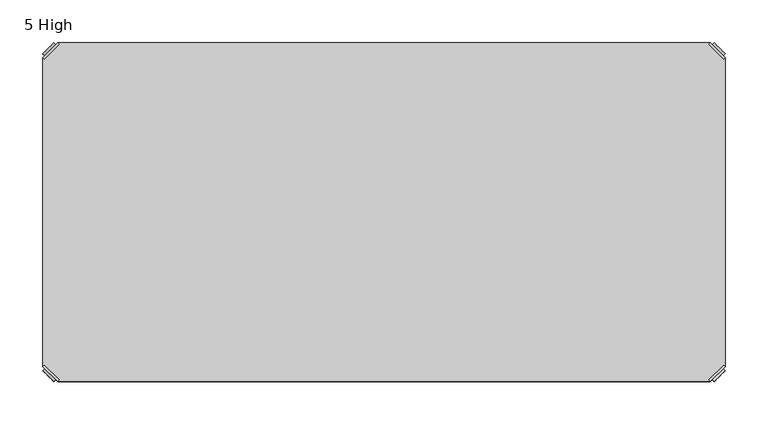
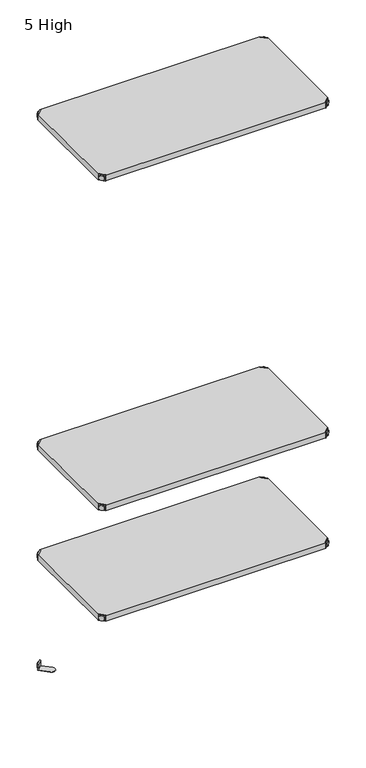
"""IFC4 building model written with IfcOpenShell, lengths in millimetres: furniture geometry, 5 High."""

from ifc_helpers import new_model, si_unit, frame, origin, place, context, project, spatial, polyline, circle_curve, outline, extrude, source, transform, mapped, element, save
from ifc_brep_helpers import plane_surface, cylinder_surface, advanced_brep


def furniture_5_high_52699a59(model_context):
    return source(origin(), model_context, "Body", "SolidModel", [
        advanced_brep(
        [(2.54, 380.2870969, 923.29), (4.3360512, 378.4910456, 923.29), (21.5589544, 395.7139488, 923.29), (19.7629031, 397.51, 923.29), (19.7629031, 397.51, 901.954), (2.54, 380.2870969, 901.954), (4.8652723, 382.6123691, 913.13), (17.4376309, 395.1847277, 913.13), (30.2920522, 352.5350447, 902.97), (47.5149553, 369.7579478, 902.97), (21.5589544, 395.7139488, 902.97), (4.3360512, 378.4910456, 902.97), (30.2920522, 352.5350447, 901.954), (47.5149553, 369.7579478, 901.954), (15.1227513, 397.4996073, 913.13), (2.5503927, 384.9272487, 913.13)],
        [
            (0, 1),
            (1, 2),
            (2, 3),
            (3, 0),
            (3, 4),
            (4, 5),
            (5, 0),
            (6, 7, circle_curve(frame((11.1514516, 388.8985484, 913.13), z_axis=(0.7071067811865446, -0.7071067811865505, 0.0), x_axis=(-0.7071067811865505, -0.7071067811865446, 0.0)), 8.89)),
            (7, 6, circle_curve(frame((11.1514516, 388.8985484, 913.13), z_axis=(0.7071067811865446, -0.7071067811865505, 0.0), x_axis=(-0.7071067811865505, -0.7071067811865446, 0.0)), 8.89)),
            (8, 9, circle_curve(frame((38.9035037, 361.1464963, 902.97), z_axis=(0.0, 0.0, 1.0), x_axis=(1.0, 0.0, 0.0)), 12.1784316)),
            (9, 10),
            (10, 11),
            (11, 8),
            (12, 5),
            (4, 13),
            (13, 12, circle_curve(frame((38.9035037, 361.1464963, 901.954), z_axis=(0.0, 0.0, -1.0), x_axis=(1.0, 0.0, 0.0)), 12.1784316)),
            (14, 15, circle_curve(frame((8.836572, 391.213428, 913.13), z_axis=(-0.7071067811865446, 0.7071067811865505, 0.0), x_axis=(-0.7071067811865505, -0.7071067811865446, 0.0)), 8.89)),
            (15, 14, circle_curve(frame((8.836572, 391.213428, 913.13), z_axis=(-0.7071067811865446, 0.7071067811865505, 0.0), x_axis=(-0.7071067811865505, -0.7071067811865446, 0.0)), 8.89)),
            (14, 7),
            (6, 15),
            (1, 11),
            (10, 2),
            (8, 12),
            (13, 9),
        ],
        [
            plane_surface(frame((-19.6579872, 402.485084, 923.29), z_axis=(0.0, 0.0, 1.0000000000000002), x_axis=(0.7071067811865436, -0.7071067811865516, 0.0))),
            plane_surface(frame((19.7629031, 397.51, 923.29), z_axis=(-0.7071067811865447, 0.7071067811865503, 0.0), x_axis=(0.0, 0.0, -1.0))),
            plane_surface(frame((51.0819353, 361.1464963, 902.97), z_axis=(0.0, 0.0, 1.0), x_axis=(0.0, 1.0, 0.0))),
            plane_surface(frame((51.0819353, 361.1464963, 901.954), z_axis=(0.0, 0.0, -1.0), x_axis=(0.0, -1.0, 0.0))),
            plane_surface(frame((2.5503927, 384.9272487, 913.13), z_axis=(-0.7071067811865446, 0.7071067811865505, 0.0), x_axis=(0.0, 0.0, 1.0))),
            cylinder_surface(frame((11.1514516, 388.8985484, 913.13), z_axis=(-0.7071067811865446, 0.7071067811865505, 0.0), x_axis=(-0.7071067811865505, -0.7071067811865446, 0.0)), 8.89),
            plane_surface(frame((4.3360512, 378.4910456, 923.29), z_axis=(0.7071067811865447, -0.7071067811865503, 0.0), x_axis=(0.0, 0.0, -1.0))),
            cylinder_surface(frame((38.9035037, 361.1464963, 901.954), z_axis=(0.0, 0.0, 1.0), x_axis=(1.0, 0.0, 0.0)), 12.1784316),
            plane_surface(frame((2.54, 380.2870969, 923.29), z_axis=(-0.7071067811865516, -0.7071067811865436, 0.0), x_axis=(0.0, 0.0, -1.0))),
            plane_surface(frame((21.5589544, 395.7139488, 923.29), z_axis=(0.7071067811865513, 0.7071067811865437, 0.0), x_axis=(0.0, 0.0, -1.0))),
        ],
        [
            (0, [[1, 2, 3, 4]]),
            (1, [[-4, 5, 6, 7], [8, 9]]),
            (2, [[10, 11, 12, 13]]),
            (3, [[14, -6, 15, 16]]),
            (4, [[17, 18]]),
            (5, [[-17, 19, -8, 20]]),
            (5, [[-18, -20, -9, -19]]),
            (6, [[-2, 21, -12, 22]]),
            (7, [[-10, 23, -16, 24]]),
            (8, [[-1, -7, -14, -23, -13, -21]]),
            (9, [[-3, -22, -11, -24, -15, -5]]),
        ],
    ),
        advanced_brep(
        [(797.56, 380.2870969, 923.29), (780.3370969, 397.51, 923.29), (778.5410456, 395.7139488, 923.29), (795.7639488, 378.4910456, 923.29), (797.56, 380.2870969, 901.954), (780.3370969, 397.51, 901.954), (795.2347277, 382.6123691, 913.13), (782.6623691, 395.1847277, 913.13), (769.8079478, 352.5350447, 902.97), (795.7639488, 378.4910456, 902.97), (778.5410456, 395.7139488, 902.97), (752.5850447, 369.7579478, 902.97), (769.8079478, 352.5350447, 901.954), (752.5850447, 369.7579478, 901.954), (784.9772487, 397.4996073, 913.13), (797.5496073, 384.9272487, 913.13)],
        [
            (0, 1),
            (1, 2),
            (2, 3),
            (3, 0),
            (0, 4),
            (4, 5),
            (5, 1),
            (6, 7, circle_curve(frame((788.9485484, 388.8985484, 913.13), z_axis=(-0.7071067811865446, -0.7071067811865505, 0.0), x_axis=(0.7071067811865505, -0.7071067811865446, 0.0)), 8.89)),
            (7, 6, circle_curve(frame((788.9485484, 388.8985484, 913.13), z_axis=(-0.7071067811865446, -0.7071067811865505, 0.0), x_axis=(0.7071067811865505, -0.7071067811865446, 0.0)), 8.89)),
            (8, 9),
            (9, 10),
            (10, 11),
            (11, 8, circle_curve(frame((761.1964963, 361.1464963, 902.97), z_axis=(0.0, 0.0, 1.0), x_axis=(-1.0, 0.0, 0.0)), 12.1784316)),
            (12, 13, circle_curve(frame((761.1964963, 361.1464963, 901.954), z_axis=(0.0, 0.0, -1.0), x_axis=(-1.0, 0.0, 0.0)), 12.1784316)),
            (13, 5),
            (4, 12),
            (14, 15, circle_curve(frame((791.263428, 391.213428, 913.13), z_axis=(0.7071067811865446, 0.7071067811865505, 0.0), x_axis=(0.7071067811865505, -0.7071067811865446, 0.0)), 8.89)),
            (15, 14, circle_curve(frame((791.263428, 391.213428, 913.13), z_axis=(0.7071067811865446, 0.7071067811865505, 0.0), x_axis=(0.7071067811865505, -0.7071067811865446, 0.0)), 8.89)),
            (15, 6),
            (7, 14),
            (2, 10),
            (9, 3),
            (11, 13),
            (12, 8),
        ],
        [
            plane_surface(frame((819.7579872, 402.485084, 923.29), z_axis=(0.0, 0.0, 1.0000000000000002), x_axis=(-0.7071067811865436, -0.7071067811865516, 0.0))),
            plane_surface(frame((780.3370969, 397.51, 923.29), z_axis=(0.7071067811865447, 0.7071067811865503, 0.0), x_axis=(0.0, 0.0, -1.0))),
            plane_surface(frame((749.0180647, 361.1464963, 902.97), z_axis=(0.0, 0.0, 1.0), x_axis=(0.0, 1.0, 0.0))),
            plane_surface(frame((749.0180647, 361.1464963, 901.954), z_axis=(0.0, 0.0, -1.0), x_axis=(0.0, -1.0, 0.0))),
            plane_surface(frame((797.5496073, 384.9272487, 913.13), z_axis=(0.7071067811865446, 0.7071067811865505, 0.0), x_axis=(0.0, 0.0, 1.0))),
            cylinder_surface(frame((788.9485484, 388.8985484, 913.13), z_axis=(0.7071067811865446, 0.7071067811865505, 0.0), x_axis=(0.7071067811865505, -0.7071067811865446, 0.0)), 8.89),
            plane_surface(frame((795.7639488, 378.4910456, 923.29), z_axis=(-0.7071067811865447, -0.7071067811865503, 0.0), x_axis=(0.0, 0.0, -1.0))),
            cylinder_surface(frame((761.1964963, 361.1464963, 901.954), z_axis=(0.0, 0.0, 1.0), x_axis=(-1.0, 0.0, 0.0)), 12.1784316),
            plane_surface(frame((797.56, 380.2870969, 923.29), z_axis=(0.7071067811865516, -0.7071067811865436, 0.0), x_axis=(0.0, 0.0, -1.0))),
            plane_surface(frame((778.5410456, 395.7139488, 923.29), z_axis=(-0.7071067811865513, 0.7071067811865437, 0.0), x_axis=(0.0, 0.0, -1.0))),
        ],
        [
            (0, [[1, 2, 3, 4]]),
            (1, [[5, 6, 7, -1], [8, 9]]),
            (2, [[10, 11, 12, 13]]),
            (3, [[14, 15, -6, 16]]),
            (4, [[17, 18]]),
            (5, [[19, -9, 20, -18]]),
            (5, [[-20, -8, -19, -17]]),
            (6, [[21, -11, 22, -3]]),
            (7, [[23, -14, 24, -13]]),
            (8, [[-22, -10, -24, -16, -5, -4]]),
            (9, [[-7, -15, -23, -12, -21, -2]]),
        ],
    ),
        advanced_brep(
        [(797.56, 19.7629031, 923.29), (795.7639488, 21.5589544, 923.29), (778.5410456, 4.3360512, 923.29), (780.3370969, 2.54, 923.29), (780.3370969, 2.54, 901.954), (797.56, 19.7629031, 901.954), (795.2347277, 17.4376309, 913.13), (782.6623691, 4.8652723, 913.13), (769.8079478, 47.5149553, 902.97), (752.5850447, 30.2920522, 902.97), (778.5410456, 4.3360512, 902.97), (795.7639488, 21.5589544, 902.97), (769.8079478, 47.5149553, 901.954), (752.5850447, 30.2920522, 901.954), (784.9772487, 2.5503927, 913.13), (797.5496073, 15.1227513, 913.13)],
        [
            (0, 1),
            (1, 2),
            (2, 3),
            (3, 0),
            (3, 4),
            (4, 5),
            (5, 0),
            (6, 7, circle_curve(frame((788.9485484, 11.1514516, 913.13), z_axis=(-0.7071067811865469, 0.7071067811865481, 0.0), x_axis=(0.7071067811865481, 0.7071067811865469, 0.0)), 8.89)),
            (7, 6, circle_curve(frame((788.9485484, 11.1514516, 913.13), z_axis=(-0.7071067811865469, 0.7071067811865481, 0.0), x_axis=(0.7071067811865481, 0.7071067811865469, 0.0)), 8.89)),
            (8, 9, circle_curve(frame((761.1964963, 38.9035037, 902.97), z_axis=(0.0, 0.0, 1.0), x_axis=(-1.0, 0.0, 0.0)), 12.1784316)),
            (9, 10),
            (10, 11),
            (11, 8),
            (12, 5),
            (4, 13),
            (13, 12, circle_curve(frame((761.1964963, 38.9035037, 901.954), z_axis=(0.0, 0.0, -1.0), x_axis=(-1.0, 0.0, 0.0)), 12.1784316)),
            (14, 15, circle_curve(frame((791.263428, 8.836572, 913.13), z_axis=(0.7071067811865469, -0.7071067811865481, 0.0), x_axis=(0.7071067811865481, 0.7071067811865469, 0.0)), 8.89)),
            (15, 14, circle_curve(frame((791.263428, 8.836572, 913.13), z_axis=(0.7071067811865469, -0.7071067811865481, 0.0), x_axis=(0.7071067811865481, 0.7071067811865469, 0.0)), 8.89)),
            (14, 7),
            (6, 15),
            (1, 11),
            (10, 2),
            (8, 12),
            (13, 9),
        ],
        [
            plane_surface(frame((819.7579872, -2.435084, 923.29), z_axis=(0.0, 0.0, 1.0000000000000002), x_axis=(-0.7071067811865459, 0.7071067811865492, 0.0))),
            plane_surface(frame((780.3370969, 2.54, 923.29), z_axis=(0.707106781186547, -0.707106781186548, 0.0), x_axis=(0.0, 0.0, -1.0))),
            plane_surface(frame((749.0180647, 38.9035037, 902.97), z_axis=(0.0, 0.0, 1.0), x_axis=(0.0, -1.0, 0.0))),
            plane_surface(frame((749.0180647, 38.9035037, 901.954), z_axis=(0.0, 0.0, -1.0), x_axis=(0.0, 1.0, 0.0))),
            plane_surface(frame((797.5496073, 15.1227513, 913.13), z_axis=(0.7071067811865469, -0.7071067811865481, 0.0), x_axis=(0.0, 0.0, 1.0))),
            cylinder_surface(frame((788.9485484, 11.1514516, 913.13), z_axis=(0.7071067811865469, -0.7071067811865481, 0.0), x_axis=(0.7071067811865481, 0.7071067811865469, 0.0)), 8.89),
            plane_surface(frame((795.7639488, 21.5589544, 923.29), z_axis=(-0.707106781186547, 0.707106781186548, 0.0), x_axis=(0.0, 0.0, -1.0))),
            cylinder_surface(frame((761.1964963, 38.9035037, 901.954), z_axis=(0.0, 0.0, 1.0), x_axis=(-1.0, 0.0, 0.0)), 12.1784316),
            plane_surface(frame((797.56, 19.7629031, 923.29), z_axis=(0.7071067811865492, 0.7071067811865459, 0.0), x_axis=(0.0, 0.0, -1.0))),
            plane_surface(frame((778.5410456, 4.3360512, 923.29), z_axis=(-0.707106781186549, -0.707106781186546, 0.0), x_axis=(0.0, 0.0, -1.0))),
        ],
        [
            (0, [[1, 2, 3, 4]]),
            (1, [[-4, 5, 6, 7], [8, 9]]),
            (2, [[10, 11, 12, 13]]),
            (3, [[14, -6, 15, 16]]),
            (4, [[17, 18]]),
            (5, [[-17, 19, -8, 20]]),
            (5, [[-18, -20, -9, -19]]),
            (6, [[-2, 21, -12, 22]]),
            (7, [[-10, 23, -16, 24]]),
            (8, [[-1, -7, -14, -23, -13, -21]]),
            (9, [[-3, -22, -11, -24, -15, -5]]),
        ],
    ),
        advanced_brep(
        [(2.54, 19.7629031, 923.29), (19.7629031, 2.54, 923.29), (21.5589544, 4.3360512, 923.29), (4.3360512, 21.5589544, 923.29), (2.54, 19.7629031, 901.954), (19.7629031, 2.54, 901.954), (4.8652723, 17.4376309, 913.13), (17.4376309, 4.8652723, 913.13), (30.2920522, 47.5149553, 902.97), (4.3360512, 21.5589544, 902.97), (21.5589544, 4.3360512, 902.97), (47.5149553, 30.2920522, 902.97), (30.2920522, 47.5149553, 901.954), (47.5149553, 30.2920522, 901.954), (15.1227513, 2.5503927, 913.13), (2.5503927, 15.1227513, 913.13)],
        [
            (0, 1),
            (1, 2),
            (2, 3),
            (3, 0),
            (0, 4),
            (4, 5),
            (5, 1),
            (6, 7, circle_curve(frame((11.1514516, 11.1514516, 913.13), z_axis=(0.7071067811865469, 0.7071067811865481, 0.0), x_axis=(-0.7071067811865481, 0.7071067811865469, 0.0)), 8.89)),
            (7, 6, circle_curve(frame((11.1514516, 11.1514516, 913.13), z_axis=(0.7071067811865469, 0.7071067811865481, 0.0), x_axis=(-0.7071067811865481, 0.7071067811865469, 0.0)), 8.89)),
            (8, 9),
            (9, 10),
            (10, 11),
            (11, 8, circle_curve(frame((38.9035037, 38.9035037, 902.97), z_axis=(0.0, 0.0, 1.0), x_axis=(1.0, 0.0, 0.0)), 12.1784316)),
            (12, 13, circle_curve(frame((38.9035037, 38.9035037, 901.954), z_axis=(0.0, 0.0, -1.0), x_axis=(1.0, 0.0, 0.0)), 12.1784316)),
            (13, 5),
            (4, 12),
            (14, 15, circle_curve(frame((8.836572, 8.836572, 913.13), z_axis=(-0.7071067811865469, -0.7071067811865481, 0.0), x_axis=(-0.7071067811865481, 0.7071067811865469, 0.0)), 8.89)),
            (15, 14, circle_curve(frame((8.836572, 8.836572, 913.13), z_axis=(-0.7071067811865469, -0.7071067811865481, 0.0), x_axis=(-0.7071067811865481, 0.7071067811865469, 0.0)), 8.89)),
            (15, 6),
            (7, 14),
            (2, 10),
            (9, 3),
            (11, 13),
            (12, 8),
        ],
        [
            plane_surface(frame((-19.6579872, -2.435084, 923.29), z_axis=(0.0, 0.0, 1.0000000000000002), x_axis=(0.7071067811865459, 0.7071067811865492, 0.0))),
            plane_surface(frame((19.7629031, 2.54, 923.29), z_axis=(-0.707106781186547, -0.707106781186548, 0.0), x_axis=(0.0, 0.0, -1.0))),
            plane_surface(frame((51.0819353, 38.9035037, 902.97), z_axis=(0.0, 0.0, 1.0), x_axis=(0.0, -1.0, 0.0))),
            plane_surface(frame((51.0819353, 38.9035037, 901.954), z_axis=(0.0, 0.0, -1.0), x_axis=(0.0, 1.0, 0.0))),
            plane_surface(frame((2.5503927, 15.1227513, 913.13), z_axis=(-0.7071067811865469, -0.7071067811865481, 0.0), x_axis=(0.0, 0.0, 1.0))),
            cylinder_surface(frame((11.1514516, 11.1514516, 913.13), z_axis=(-0.7071067811865469, -0.7071067811865481, 0.0), x_axis=(-0.7071067811865481, 0.7071067811865469, 0.0)), 8.89),
            plane_surface(frame((4.3360512, 21.5589544, 923.29), z_axis=(0.707106781186547, 0.707106781186548, 0.0), x_axis=(0.0, 0.0, -1.0))),
            cylinder_surface(frame((38.9035037, 38.9035037, 901.954), z_axis=(0.0, 0.0, 1.0), x_axis=(1.0, 0.0, 0.0)), 12.1784316),
            plane_surface(frame((2.54, 19.7629031, 923.29), z_axis=(-0.7071067811865492, 0.7071067811865459, 0.0), x_axis=(0.0, 0.0, -1.0))),
            plane_surface(frame((21.5589544, 4.3360512, 923.29), z_axis=(0.707106781186549, -0.707106781186546, 0.0), x_axis=(0.0, 0.0, -1.0))),
        ],
        [
            (0, [[1, 2, 3, 4]]),
            (1, [[5, 6, 7, -1], [8, 9]]),
            (2, [[10, 11, 12, 13]]),
            (3, [[14, 15, -6, 16]]),
            (4, [[17, 18]]),
            (5, [[19, -9, 20, -18]]),
            (5, [[-20, -8, -19, -17]]),
            (6, [[21, -11, 22, -3]]),
            (7, [[23, -14, 24, -13]]),
            (8, [[-22, -10, -24, -16, -5, -4]]),
            (9, [[-7, -15, -23, -12, -21, -2]]),
        ],
    ),
        extrude(outline(polyline([(19.7629031, 2.54), (21.5589544, 4.3360512), (4.3360512, 21.5589544), (2.54, 19.7629031), (2.54, 380.2870969), (4.3360512, 378.4910456), (21.5589544, 395.7139488), (19.7629031, 397.51), (780.3370969, 397.51), (778.5410456, 395.7139488), (795.7639488, 378.4910456), (797.56, 380.2870969), (797.56, 19.7629031), (795.7639488, 21.5589544), (778.5410456, 4.3360512), (780.3370969, 2.54), (19.7629031, 2.54)])), frame((0.0, 0.0, 902.97), z_axis=(0.0, 0.0, 1.0), x_axis=(1.0, 0.0, 0.0)), (0.0, 0.0, 1.0), 20.32),
        advanced_brep(
        [(2.54, 380.2870969, 520.2936), (4.3360512, 378.4910456, 520.2936), (21.5589544, 395.7139488, 520.2936), (19.7629031, 397.51, 520.2936), (19.7629031, 397.51, 498.9576), (2.54, 380.2870969, 498.9576), (4.8652723, 382.6123691, 510.1336), (17.4376309, 395.1847277, 510.1336), (30.2920522, 352.5350447, 499.9736), (47.5149553, 369.7579478, 499.9736), (21.5589544, 395.7139488, 499.9736), (4.3360512, 378.4910456, 499.9736), (30.2920522, 352.5350447, 498.9576), (47.5149553, 369.7579478, 498.9576), (15.1227513, 397.4996073, 510.1336), (2.5503927, 384.9272487, 510.1336)],
        [
            (0, 1),
            (1, 2),
            (2, 3),
            (3, 0),
            (3, 4),
            (4, 5),
            (5, 0),
            (6, 7, circle_curve(frame((11.1514516, 388.8985484, 510.1336), z_axis=(0.7071067811865446, -0.7071067811865505, 0.0), x_axis=(-0.7071067811865505, -0.7071067811865446, 0.0)), 8.89)),
            (7, 6, circle_curve(frame((11.1514516, 388.8985484, 510.1336), z_axis=(0.7071067811865446, -0.7071067811865505, 0.0), x_axis=(-0.7071067811865505, -0.7071067811865446, 0.0)), 8.89)),
            (8, 9, circle_curve(frame((38.9035037, 361.1464963, 499.9736), z_axis=(0.0, 0.0, 1.0), x_axis=(1.0, 0.0, 0.0)), 12.1784316)),
            (9, 10),
            (10, 11),
            (11, 8),
            (12, 5),
            (4, 13),
            (13, 12, circle_curve(frame((38.9035037, 361.1464963, 498.9576), z_axis=(0.0, 0.0, -1.0), x_axis=(1.0, 0.0, 0.0)), 12.1784316)),
            (14, 15, circle_curve(frame((8.836572, 391.213428, 510.1336), z_axis=(-0.7071067811865446, 0.7071067811865505, 0.0), x_axis=(-0.7071067811865505, -0.7071067811865446, 0.0)), 8.89)),
            (15, 14, circle_curve(frame((8.836572, 391.213428, 510.1336), z_axis=(-0.7071067811865446, 0.7071067811865505, 0.0), x_axis=(-0.7071067811865505, -0.7071067811865446, 0.0)), 8.89)),
            (14, 7),
            (6, 15),
            (1, 11),
            (10, 2),
            (8, 12),
            (13, 9),
        ],
        [
            plane_surface(frame((-19.6579872, 402.485084, 520.2936), z_axis=(0.0, 0.0, 1.0000000000000002), x_axis=(0.7071067811865436, -0.7071067811865516, 0.0))),
            plane_surface(frame((19.7629031, 397.51, 520.2936), z_axis=(-0.7071067811865447, 0.7071067811865503, 0.0), x_axis=(0.0, 0.0, -1.0))),
            plane_surface(frame((51.0819353, 361.1464963, 499.9736), z_axis=(0.0, 0.0, 1.0), x_axis=(0.0, 1.0, 0.0))),
            plane_surface(frame((51.0819353, 361.1464963, 498.9576), z_axis=(0.0, 0.0, -1.0), x_axis=(0.0, -1.0, 0.0))),
            plane_surface(frame((2.5503927, 384.9272487, 510.1336), z_axis=(-0.7071067811865446, 0.7071067811865505, 0.0), x_axis=(0.0, 0.0, 1.0))),
            cylinder_surface(frame((11.1514516, 388.8985484, 510.1336), z_axis=(-0.7071067811865446, 0.7071067811865505, 0.0), x_axis=(-0.7071067811865505, -0.7071067811865446, 0.0)), 8.89),
            plane_surface(frame((4.3360512, 378.4910456, 520.2936), z_axis=(0.7071067811865447, -0.7071067811865503, 0.0), x_axis=(0.0, 0.0, -1.0))),
            cylinder_surface(frame((38.9035037, 361.1464963, 498.9576), z_axis=(0.0, 0.0, 1.0), x_axis=(1.0, 0.0, 0.0)), 12.1784316),
            plane_surface(frame((2.54, 380.2870969, 520.2936), z_axis=(-0.7071067811865516, -0.7071067811865436, 0.0), x_axis=(0.0, 0.0, -1.0))),
            plane_surface(frame((21.5589544, 395.7139488, 520.2936), z_axis=(0.7071067811865513, 0.7071067811865437, 0.0), x_axis=(0.0, 0.0, -1.0))),
        ],
        [
            (0, [[1, 2, 3, 4]]),
            (1, [[-4, 5, 6, 7], [8, 9]]),
            (2, [[10, 11, 12, 13]]),
            (3, [[14, -6, 15, 16]]),
            (4, [[17, 18]]),
            (5, [[-17, 19, -8, 20]]),
            (5, [[-18, -20, -9, -19]]),
            (6, [[-2, 21, -12, 22]]),
            (7, [[-10, 23, -16, 24]]),
            (8, [[-1, -7, -14, -23, -13, -21]]),
            (9, [[-3, -22, -11, -24, -15, -5]]),
        ],
    ),
        advanced_brep(
        [(797.56, 380.2870969, 520.2936), (780.3370969, 397.51, 520.2936), (778.5410456, 395.7139488, 520.2936), (795.7639488, 378.4910456, 520.2936), (797.56, 380.2870969, 498.9576), (780.3370969, 397.51, 498.9576), (795.2347277, 382.6123691, 510.1336), (782.6623691, 395.1847277, 510.1336), (769.8079478, 352.5350447, 499.9736), (795.7639488, 378.4910456, 499.9736), (778.5410456, 395.7139488, 499.9736), (752.5850447, 369.7579478, 499.9736), (769.8079478, 352.5350447, 498.9576), (752.5850447, 369.7579478, 498.9576), (784.9772487, 397.4996073, 510.1336), (797.5496073, 384.9272487, 510.1336)],
        [
            (0, 1),
            (1, 2),
            (2, 3),
            (3, 0),
            (0, 4),
            (4, 5),
            (5, 1),
            (6, 7, circle_curve(frame((788.9485484, 388.8985484, 510.1336), z_axis=(-0.7071067811865446, -0.7071067811865505, 0.0), x_axis=(0.7071067811865505, -0.7071067811865446, 0.0)), 8.89)),
            (7, 6, circle_curve(frame((788.9485484, 388.8985484, 510.1336), z_axis=(-0.7071067811865446, -0.7071067811865505, 0.0), x_axis=(0.7071067811865505, -0.7071067811865446, 0.0)), 8.89)),
            (8, 9),
            (9, 10),
            (10, 11),
            (11, 8, circle_curve(frame((761.1964963, 361.1464963, 499.9736), z_axis=(0.0, 0.0, 1.0), x_axis=(-1.0, 0.0, 0.0)), 12.1784316)),
            (12, 13, circle_curve(frame((761.1964963, 361.1464963, 498.9576), z_axis=(0.0, 0.0, -1.0), x_axis=(-1.0, 0.0, 0.0)), 12.1784316)),
            (13, 5),
            (4, 12),
            (14, 15, circle_curve(frame((791.263428, 391.213428, 510.1336), z_axis=(0.7071067811865446, 0.7071067811865505, 0.0), x_axis=(0.7071067811865505, -0.7071067811865446, 0.0)), 8.89)),
            (15, 14, circle_curve(frame((791.263428, 391.213428, 510.1336), z_axis=(0.7071067811865446, 0.7071067811865505, 0.0), x_axis=(0.7071067811865505, -0.7071067811865446, 0.0)), 8.89)),
            (15, 6),
            (7, 14),
            (2, 10),
            (9, 3),
            (11, 13),
            (12, 8),
        ],
        [
            plane_surface(frame((819.7579872, 402.485084, 520.2936), z_axis=(0.0, 0.0, 1.0000000000000002), x_axis=(-0.7071067811865436, -0.7071067811865516, 0.0))),
            plane_surface(frame((780.3370969, 397.51, 520.2936), z_axis=(0.7071067811865447, 0.7071067811865503, 0.0), x_axis=(0.0, 0.0, -1.0))),
            plane_surface(frame((749.0180647, 361.1464963, 499.9736), z_axis=(0.0, 0.0, 1.0), x_axis=(0.0, 1.0, 0.0))),
            plane_surface(frame((749.0180647, 361.1464963, 498.9576), z_axis=(0.0, 0.0, -1.0), x_axis=(0.0, -1.0, 0.0))),
            plane_surface(frame((797.5496073, 384.9272487, 510.1336), z_axis=(0.7071067811865446, 0.7071067811865505, 0.0), x_axis=(0.0, 0.0, 1.0))),
            cylinder_surface(frame((788.9485484, 388.8985484, 510.1336), z_axis=(0.7071067811865446, 0.7071067811865505, 0.0), x_axis=(0.7071067811865505, -0.7071067811865446, 0.0)), 8.89),
            plane_surface(frame((795.7639488, 378.4910456, 520.2936), z_axis=(-0.7071067811865447, -0.7071067811865503, 0.0), x_axis=(0.0, 0.0, -1.0))),
            cylinder_surface(frame((761.1964963, 361.1464963, 498.9576), z_axis=(0.0, 0.0, 1.0), x_axis=(-1.0, 0.0, 0.0)), 12.1784316),
            plane_surface(frame((797.56, 380.2870969, 520.2936), z_axis=(0.7071067811865516, -0.7071067811865436, 0.0), x_axis=(0.0, 0.0, -1.0))),
            plane_surface(frame((778.5410456, 395.7139488, 520.2936), z_axis=(-0.7071067811865513, 0.7071067811865437, 0.0), x_axis=(0.0, 0.0, -1.0))),
        ],
        [
            (0, [[1, 2, 3, 4]]),
            (1, [[5, 6, 7, -1], [8, 9]]),
            (2, [[10, 11, 12, 13]]),
            (3, [[14, 15, -6, 16]]),
            (4, [[17, 18]]),
            (5, [[19, -9, 20, -18]]),
            (5, [[-20, -8, -19, -17]]),
            (6, [[21, -11, 22, -3]]),
            (7, [[23, -14, 24, -13]]),
            (8, [[-22, -10, -24, -16, -5, -4]]),
            (9, [[-7, -15, -23, -12, -21, -2]]),
        ],
    ),
        advanced_brep(
        [(797.56, 19.7629031, 520.2936), (795.7639488, 21.5589544, 520.2936), (778.5410456, 4.3360512, 520.2936), (780.3370969, 2.54, 520.2936), (780.3370969, 2.54, 498.9576), (797.56, 19.7629031, 498.9576), (795.2347277, 17.4376309, 510.1336), (782.6623691, 4.8652723, 510.1336), (769.8079478, 47.5149553, 499.9736), (752.5850447, 30.2920522, 499.9736), (778.5410456, 4.3360512, 499.9736), (795.7639488, 21.5589544, 499.9736), (769.8079478, 47.5149553, 498.9576), (752.5850447, 30.2920522, 498.9576), (784.9772487, 2.5503927, 510.1336), (797.5496073, 15.1227513, 510.1336)],
        [
            (0, 1),
            (1, 2),
            (2, 3),
            (3, 0),
            (3, 4),
            (4, 5),
            (5, 0),
            (6, 7, circle_curve(frame((788.9485484, 11.1514516, 510.1336), z_axis=(-0.7071067811865469, 0.7071067811865481, 0.0), x_axis=(0.7071067811865481, 0.7071067811865469, 0.0)), 8.89)),
            (7, 6, circle_curve(frame((788.9485484, 11.1514516, 510.1336), z_axis=(-0.7071067811865469, 0.7071067811865481, 0.0), x_axis=(0.7071067811865481, 0.7071067811865469, 0.0)), 8.89)),
            (8, 9, circle_curve(frame((761.1964963, 38.9035037, 499.9736), z_axis=(0.0, 0.0, 1.0), x_axis=(-1.0, 0.0, 0.0)), 12.1784316)),
            (9, 10),
            (10, 11),
            (11, 8),
            (12, 5),
            (4, 13),
            (13, 12, circle_curve(frame((761.1964963, 38.9035037, 498.9576), z_axis=(0.0, 0.0, -1.0), x_axis=(-1.0, 0.0, 0.0)), 12.1784316)),
            (14, 15, circle_curve(frame((791.263428, 8.836572, 510.1336), z_axis=(0.7071067811865469, -0.7071067811865481, 0.0), x_axis=(0.7071067811865481, 0.7071067811865469, 0.0)), 8.89)),
            (15, 14, circle_curve(frame((791.263428, 8.836572, 510.1336), z_axis=(0.7071067811865469, -0.7071067811865481, 0.0), x_axis=(0.7071067811865481, 0.7071067811865469, 0.0)), 8.89)),
            (14, 7),
            (6, 15),
            (1, 11),
            (10, 2),
            (8, 12),
            (13, 9),
        ],
        [
            plane_surface(frame((819.7579872, -2.435084, 520.2936), z_axis=(0.0, 0.0, 1.0000000000000002), x_axis=(-0.7071067811865459, 0.7071067811865492, 0.0))),
            plane_surface(frame((780.3370969, 2.54, 520.2936), z_axis=(0.707106781186547, -0.707106781186548, 0.0), x_axis=(0.0, 0.0, -1.0))),
            plane_surface(frame((749.0180647, 38.9035037, 499.9736), z_axis=(0.0, 0.0, 1.0), x_axis=(0.0, -1.0, 0.0))),
            plane_surface(frame((749.0180647, 38.9035037, 498.9576), z_axis=(0.0, 0.0, -1.0), x_axis=(0.0, 1.0, 0.0))),
            plane_surface(frame((797.5496073, 15.1227513, 510.1336), z_axis=(0.7071067811865469, -0.7071067811865481, 0.0), x_axis=(0.0, 0.0, 1.0))),
            cylinder_surface(frame((788.9485484, 11.1514516, 510.1336), z_axis=(0.7071067811865469, -0.7071067811865481, 0.0), x_axis=(0.7071067811865481, 0.7071067811865469, 0.0)), 8.89),
            plane_surface(frame((795.7639488, 21.5589544, 520.2936), z_axis=(-0.707106781186547, 0.707106781186548, 0.0), x_axis=(0.0, 0.0, -1.0))),
            cylinder_surface(frame((761.1964963, 38.9035037, 498.9576), z_axis=(0.0, 0.0, 1.0), x_axis=(-1.0, 0.0, 0.0)), 12.1784316),
            plane_surface(frame((797.56, 19.7629031, 520.2936), z_axis=(0.7071067811865492, 0.7071067811865459, 0.0), x_axis=(0.0, 0.0, -1.0))),
            plane_surface(frame((778.5410456, 4.3360512, 520.2936), z_axis=(-0.707106781186549, -0.707106781186546, 0.0), x_axis=(0.0, 0.0, -1.0))),
        ],
        [
            (0, [[1, 2, 3, 4]]),
            (1, [[-4, 5, 6, 7], [8, 9]]),
            (2, [[10, 11, 12, 13]]),
            (3, [[14, -6, 15, 16]]),
            (4, [[17, 18]]),
            (5, [[-17, 19, -8, 20]]),
            (5, [[-18, -20, -9, -19]]),
            (6, [[-2, 21, -12, 22]]),
            (7, [[-10, 23, -16, 24]]),
            (8, [[-1, -7, -14, -23, -13, -21]]),
            (9, [[-3, -22, -11, -24, -15, -5]]),
        ],
    ),
        advanced_brep(
        [(2.54, 19.7629031, 520.2936), (19.7629031, 2.54, 520.2936), (21.5589544, 4.3360512, 520.2936), (4.3360512, 21.5589544, 520.2936), (2.54, 19.7629031, 498.9576), (19.7629031, 2.54, 498.9576), (4.8652723, 17.4376309, 510.1336), (17.4376309, 4.8652723, 510.1336), (30.2920522, 47.5149553, 499.9736), (4.3360512, 21.5589544, 499.9736), (21.5589544, 4.3360512, 499.9736), (47.5149553, 30.2920522, 499.9736), (30.2920522, 47.5149553, 498.9576), (47.5149553, 30.2920522, 498.9576), (15.1227513, 2.5503927, 510.1336), (2.5503927, 15.1227513, 510.1336)],
        [
            (0, 1),
            (1, 2),
            (2, 3),
            (3, 0),
            (0, 4),
            (4, 5),
            (5, 1),
            (6, 7, circle_curve(frame((11.1514516, 11.1514516, 510.1336), z_axis=(0.7071067811865469, 0.7071067811865481, 0.0), x_axis=(-0.7071067811865481, 0.7071067811865469, 0.0)), 8.89)),
            (7, 6, circle_curve(frame((11.1514516, 11.1514516, 510.1336), z_axis=(0.7071067811865469, 0.7071067811865481, 0.0), x_axis=(-0.7071067811865481, 0.7071067811865469, 0.0)), 8.89)),
            (8, 9),
            (9, 10),
            (10, 11),
            (11, 8, circle_curve(frame((38.9035037, 38.9035037, 499.9736), z_axis=(0.0, 0.0, 1.0), x_axis=(1.0, 0.0, 0.0)), 12.1784316)),
            (12, 13, circle_curve(frame((38.9035037, 38.9035037, 498.9576), z_axis=(0.0, 0.0, -1.0), x_axis=(1.0, 0.0, 0.0)), 12.1784316)),
            (13, 5),
            (4, 12),
            (14, 15, circle_curve(frame((8.836572, 8.836572, 510.1336), z_axis=(-0.7071067811865469, -0.7071067811865481, 0.0), x_axis=(-0.7071067811865481, 0.7071067811865469, 0.0)), 8.89)),
            (15, 14, circle_curve(frame((8.836572, 8.836572, 510.1336), z_axis=(-0.7071067811865469, -0.7071067811865481, 0.0), x_axis=(-0.7071067811865481, 0.7071067811865469, 0.0)), 8.89)),
            (15, 6),
            (7, 14),
            (2, 10),
            (9, 3),
            (11, 13),
            (12, 8),
        ],
        [
            plane_surface(frame((-19.6579872, -2.435084, 520.2936), z_axis=(0.0, 0.0, 1.0000000000000002), x_axis=(0.7071067811865459, 0.7071067811865492, 0.0))),
            plane_surface(frame((19.7629031, 2.54, 520.2936), z_axis=(-0.707106781186547, -0.707106781186548, 0.0), x_axis=(0.0, 0.0, -1.0))),
            plane_surface(frame((51.0819353, 38.9035037, 499.9736), z_axis=(0.0, 0.0, 1.0), x_axis=(0.0, -1.0, 0.0))),
            plane_surface(frame((51.0819353, 38.9035037, 498.9576), z_axis=(0.0, 0.0, -1.0), x_axis=(0.0, 1.0, 0.0))),
            plane_surface(frame((2.5503927, 15.1227513, 510.1336), z_axis=(-0.7071067811865469, -0.7071067811865481, 0.0), x_axis=(0.0, 0.0, 1.0))),
            cylinder_surface(frame((11.1514516, 11.1514516, 510.1336), z_axis=(-0.7071067811865469, -0.7071067811865481, 0.0), x_axis=(-0.7071067811865481, 0.7071067811865469, 0.0)), 8.89),
            plane_surface(frame((4.3360512, 21.5589544, 520.2936), z_axis=(0.707106781186547, 0.707106781186548, 0.0), x_axis=(0.0, 0.0, -1.0))),
            cylinder_surface(frame((38.9035037, 38.9035037, 498.9576), z_axis=(0.0, 0.0, 1.0), x_axis=(1.0, 0.0, 0.0)), 12.1784316),
            plane_surface(frame((2.54, 19.7629031, 520.2936), z_axis=(-0.7071067811865492, 0.7071067811865459, 0.0), x_axis=(0.0, 0.0, -1.0))),
            plane_surface(frame((21.5589544, 4.3360512, 520.2936), z_axis=(0.707106781186549, -0.707106781186546, 0.0), x_axis=(0.0, 0.0, -1.0))),
        ],
        [
            (0, [[1, 2, 3, 4]]),
            (1, [[5, 6, 7, -1], [8, 9]]),
            (2, [[10, 11, 12, 13]]),
            (3, [[14, 15, -6, 16]]),
            (4, [[17, 18]]),
            (5, [[19, -9, 20, -18]]),
            (5, [[-20, -8, -19, -17]]),
            (6, [[21, -11, 22, -3]]),
            (7, [[23, -14, 24, -13]]),
            (8, [[-22, -10, -24, -16, -5, -4]]),
            (9, [[-7, -15, -23, -12, -21, -2]]),
        ],
    ),
        extrude(outline(polyline([(19.7629031, 2.54), (21.5589544, 4.3360512), (4.3360512, 21.5589544), (2.54, 19.7629031), (2.54, 380.2870969), (4.3360512, 378.4910456), (21.5589544, 395.7139488), (19.7629031, 397.51), (780.3370969, 397.51), (778.5410456, 395.7139488), (795.7639488, 378.4910456), (797.56, 380.2870969), (797.56, 19.7629031), (795.7639488, 21.5589544), (778.5410456, 4.3360512), (780.3370969, 2.54), (19.7629031, 2.54)])), frame((0.0, 0.0, 499.9736), z_axis=(0.0, 0.0, 1.0), x_axis=(1.0, 0.0, 0.0)), (0.0, 0.0, 1.0), 20.32),
        advanced_brep(
        [(2.54, 380.2870969, 2127.25), (4.3360512, 378.4910456, 2127.25), (21.5589544, 395.7139488, 2127.25), (19.7629031, 397.51, 2127.25), (19.7629031, 397.51, 2105.914), (2.54, 380.2870969, 2105.914), (4.8652723, 382.6123691, 2117.09), (17.4376309, 395.1847277, 2117.09), (30.2920522, 352.5350447, 2106.93), (47.5149553, 369.7579478, 2106.93), (21.5589544, 395.7139488, 2106.93), (4.3360512, 378.4910456, 2106.93), (30.2920522, 352.5350447, 2105.914), (47.5149553, 369.7579478, 2105.914), (15.1227513, 397.4996073, 2117.09), (2.5503927, 384.9272487, 2117.09)],
        [
            (0, 1),
            (1, 2),
            (2, 3),
            (3, 0),
            (3, 4),
            (4, 5),
            (5, 0),
            (6, 7, circle_curve(frame((11.1514516, 388.8985484, 2117.09), z_axis=(0.7071067811865446, -0.7071067811865505, 0.0), x_axis=(-0.7071067811865505, -0.7071067811865446, 0.0)), 8.89)),
            (7, 6, circle_curve(frame((11.1514516, 388.8985484, 2117.09), z_axis=(0.7071067811865446, -0.7071067811865505, 0.0), x_axis=(-0.7071067811865505, -0.7071067811865446, 0.0)), 8.89)),
            (8, 9, circle_curve(frame((38.9035037, 361.1464963, 2106.93), z_axis=(0.0, 0.0, 1.0), x_axis=(1.0, 0.0, 0.0)), 12.1784316)),
            (9, 10),
            (10, 11),
            (11, 8),
            (12, 5),
            (4, 13),
            (13, 12, circle_curve(frame((38.9035037, 361.1464963, 2105.914), z_axis=(0.0, 0.0, -1.0), x_axis=(1.0, 0.0, 0.0)), 12.1784316)),
            (14, 15, circle_curve(frame((8.836572, 391.213428, 2117.09), z_axis=(-0.7071067811865446, 0.7071067811865505, 0.0), x_axis=(-0.7071067811865505, -0.7071067811865446, 0.0)), 8.89)),
            (15, 14, circle_curve(frame((8.836572, 391.213428, 2117.09), z_axis=(-0.7071067811865446, 0.7071067811865505, 0.0), x_axis=(-0.7071067811865505, -0.7071067811865446, 0.0)), 8.89)),
            (14, 7),
            (6, 15),
            (1, 11),
            (10, 2),
            (8, 12),
            (13, 9),
        ],
        [
            plane_surface(frame((-19.6579872, 402.485084, 2127.25), z_axis=(0.0, 0.0, 1.0000000000000002), x_axis=(0.7071067811865436, -0.7071067811865516, 0.0))),
            plane_surface(frame((19.7629031, 397.51, 2127.25), z_axis=(-0.7071067811865447, 0.7071067811865503, 0.0), x_axis=(0.0, 0.0, -1.0))),
            plane_surface(frame((51.0819353, 361.1464963, 2106.93), z_axis=(0.0, 0.0, 1.0), x_axis=(0.0, 1.0, 0.0))),
            plane_surface(frame((51.0819353, 361.1464963, 2105.914), z_axis=(0.0, 0.0, -1.0), x_axis=(0.0, -1.0, 0.0))),
            plane_surface(frame((2.5503927, 384.9272487, 2117.09), z_axis=(-0.7071067811865446, 0.7071067811865505, 0.0), x_axis=(0.0, 0.0, 1.0))),
            cylinder_surface(frame((11.1514516, 388.8985484, 2117.09), z_axis=(-0.7071067811865446, 0.7071067811865505, 0.0), x_axis=(-0.7071067811865505, -0.7071067811865446, 0.0)), 8.89),
            plane_surface(frame((4.3360512, 378.4910456, 2127.25), z_axis=(0.7071067811865447, -0.7071067811865503, 0.0), x_axis=(0.0, 0.0, -1.0))),
            cylinder_surface(frame((38.9035037, 361.1464963, 2105.914), z_axis=(0.0, 0.0, 1.0), x_axis=(1.0, 0.0, 0.0)), 12.1784316),
            plane_surface(frame((2.54, 380.2870969, 2127.25), z_axis=(-0.7071067811865516, -0.7071067811865436, 0.0), x_axis=(0.0, 0.0, -1.0))),
            plane_surface(frame((21.5589544, 395.7139488, 2127.25), z_axis=(0.7071067811865513, 0.7071067811865437, 0.0), x_axis=(0.0, 0.0, -1.0))),
        ],
        [
            (0, [[1, 2, 3, 4]]),
            (1, [[-4, 5, 6, 7], [8, 9]]),
            (2, [[10, 11, 12, 13]]),
            (3, [[14, -6, 15, 16]]),
            (4, [[17, 18]]),
            (5, [[-17, 19, -8, 20]]),
            (5, [[-18, -20, -9, -19]]),
            (6, [[-2, 21, -12, 22]]),
            (7, [[-10, 23, -16, 24]]),
            (8, [[-1, -7, -14, -23, -13, -21]]),
            (9, [[-3, -22, -11, -24, -15, -5]]),
        ],
    ),
        advanced_brep(
        [(797.56, 380.2870969, 2127.25), (780.3370969, 397.51, 2127.25), (778.5410456, 395.7139488, 2127.25), (795.7639488, 378.4910456, 2127.25), (797.56, 380.2870969, 2105.914), (780.3370969, 397.51, 2105.914), (795.2347277, 382.6123691, 2117.09), (782.6623691, 395.1847277, 2117.09), (769.8079478, 352.5350447, 2106.93), (795.7639488, 378.4910456, 2106.93), (778.5410456, 395.7139488, 2106.93), (752.5850447, 369.7579478, 2106.93), (769.8079478, 352.5350447, 2105.914), (752.5850447, 369.7579478, 2105.914), (784.9772487, 397.4996073, 2117.09), (797.5496073, 384.9272487, 2117.09)],
        [
            (0, 1),
            (1, 2),
            (2, 3),
            (3, 0),
            (0, 4),
            (4, 5),
            (5, 1),
            (6, 7, circle_curve(frame((788.9485484, 388.8985484, 2117.09), z_axis=(-0.7071067811865446, -0.7071067811865505, 0.0), x_axis=(0.7071067811865505, -0.7071067811865446, 0.0)), 8.89)),
            (7, 6, circle_curve(frame((788.9485484, 388.8985484, 2117.09), z_axis=(-0.7071067811865446, -0.7071067811865505, 0.0), x_axis=(0.7071067811865505, -0.7071067811865446, 0.0)), 8.89)),
            (8, 9),
            (9, 10),
            (10, 11),
            (11, 8, circle_curve(frame((761.1964963, 361.1464963, 2106.93), z_axis=(0.0, 0.0, 1.0), x_axis=(-1.0, 0.0, 0.0)), 12.1784316)),
            (12, 13, circle_curve(frame((761.1964963, 361.1464963, 2105.914), z_axis=(0.0, 0.0, -1.0), x_axis=(-1.0, 0.0, 0.0)), 12.1784316)),
            (13, 5),
            (4, 12),
            (14, 15, circle_curve(frame((791.263428, 391.213428, 2117.09), z_axis=(0.7071067811865446, 0.7071067811865505, 0.0), x_axis=(0.7071067811865505, -0.7071067811865446, 0.0)), 8.89)),
            (15, 14, circle_curve(frame((791.263428, 391.213428, 2117.09), z_axis=(0.7071067811865446, 0.7071067811865505, 0.0), x_axis=(0.7071067811865505, -0.7071067811865446, 0.0)), 8.89)),
            (15, 6),
            (7, 14),
            (2, 10),
            (9, 3),
            (11, 13),
            (12, 8),
        ],
        [
            plane_surface(frame((819.7579872, 402.485084, 2127.25), z_axis=(0.0, 0.0, 1.0000000000000002), x_axis=(-0.7071067811865436, -0.7071067811865516, 0.0))),
            plane_surface(frame((780.3370969, 397.51, 2127.25), z_axis=(0.7071067811865447, 0.7071067811865503, 0.0), x_axis=(0.0, 0.0, -1.0))),
            plane_surface(frame((749.0180647, 361.1464963, 2106.93), z_axis=(0.0, 0.0, 1.0), x_axis=(0.0, 1.0, 0.0))),
            plane_surface(frame((749.0180647, 361.1464963, 2105.914), z_axis=(0.0, 0.0, -1.0), x_axis=(0.0, -1.0, 0.0))),
            plane_surface(frame((797.5496073, 384.9272487, 2117.09), z_axis=(0.7071067811865446, 0.7071067811865505, 0.0), x_axis=(0.0, 0.0, 1.0))),
            cylinder_surface(frame((788.9485484, 388.8985484, 2117.09), z_axis=(0.7071067811865446, 0.7071067811865505, 0.0), x_axis=(0.7071067811865505, -0.7071067811865446, 0.0)), 8.89),
            plane_surface(frame((795.7639488, 378.4910456, 2127.25), z_axis=(-0.7071067811865447, -0.7071067811865503, 0.0), x_axis=(0.0, 0.0, -1.0))),
            cylinder_surface(frame((761.1964963, 361.1464963, 2105.914), z_axis=(0.0, 0.0, 1.0), x_axis=(-1.0, 0.0, 0.0)), 12.1784316),
            plane_surface(frame((797.56, 380.2870969, 2127.25), z_axis=(0.7071067811865516, -0.7071067811865436, 0.0), x_axis=(0.0, 0.0, -1.0))),
            plane_surface(frame((778.5410456, 395.7139488, 2127.25), z_axis=(-0.7071067811865513, 0.7071067811865437, 0.0), x_axis=(0.0, 0.0, -1.0))),
        ],
        [
            (0, [[1, 2, 3, 4]]),
            (1, [[5, 6, 7, -1], [8, 9]]),
            (2, [[10, 11, 12, 13]]),
            (3, [[14, 15, -6, 16]]),
            (4, [[17, 18]]),
            (5, [[19, -9, 20, -18]]),
            (5, [[-20, -8, -19, -17]]),
            (6, [[21, -11, 22, -3]]),
            (7, [[23, -14, 24, -13]]),
            (8, [[-22, -10, -24, -16, -5, -4]]),
            (9, [[-7, -15, -23, -12, -21, -2]]),
        ],
    ),
        advanced_brep(
        [(797.56, 19.7629031, 2127.25), (795.7639488, 21.5589544, 2127.25), (778.5410456, 4.3360512, 2127.25), (780.3370969, 2.54, 2127.25), (780.3370969, 2.54, 2105.914), (797.56, 19.7629031, 2105.914), (795.2347277, 17.4376309, 2117.09), (782.6623691, 4.8652723, 2117.09), (769.8079478, 47.5149553, 2106.93), (752.5850447, 30.2920522, 2106.93), (778.5410456, 4.3360512, 2106.93), (795.7639488, 21.5589544, 2106.93), (769.8079478, 47.5149553, 2105.914), (752.5850447, 30.2920522, 2105.914), (784.9772487, 2.5503927, 2117.09), (797.5496073, 15.1227513, 2117.09)],
        [
            (0, 1),
            (1, 2),
            (2, 3),
            (3, 0),
            (3, 4),
            (4, 5),
            (5, 0),
            (6, 7, circle_curve(frame((788.9485484, 11.1514516, 2117.09), z_axis=(-0.7071067811865469, 0.7071067811865481, 0.0), x_axis=(0.7071067811865481, 0.7071067811865469, 0.0)), 8.89)),
            (7, 6, circle_curve(frame((788.9485484, 11.1514516, 2117.09), z_axis=(-0.7071067811865469, 0.7071067811865481, 0.0), x_axis=(0.7071067811865481, 0.7071067811865469, 0.0)), 8.89)),
            (8, 9, circle_curve(frame((761.1964963, 38.9035037, 2106.93), z_axis=(0.0, 0.0, 1.0), x_axis=(-1.0, 0.0, 0.0)), 12.1784316)),
            (9, 10),
            (10, 11),
            (11, 8),
            (12, 5),
            (4, 13),
            (13, 12, circle_curve(frame((761.1964963, 38.9035037, 2105.914), z_axis=(0.0, 0.0, -1.0), x_axis=(-1.0, 0.0, 0.0)), 12.1784316)),
            (14, 15, circle_curve(frame((791.263428, 8.836572, 2117.09), z_axis=(0.7071067811865469, -0.7071067811865481, 0.0), x_axis=(0.7071067811865481, 0.7071067811865469, 0.0)), 8.89)),
            (15, 14, circle_curve(frame((791.263428, 8.836572, 2117.09), z_axis=(0.7071067811865469, -0.7071067811865481, 0.0), x_axis=(0.7071067811865481, 0.7071067811865469, 0.0)), 8.89)),
            (14, 7),
            (6, 15),
            (1, 11),
            (10, 2),
            (8, 12),
            (13, 9),
        ],
        [
            plane_surface(frame((819.7579872, -2.435084, 2127.25), z_axis=(0.0, 0.0, 1.0000000000000002), x_axis=(-0.7071067811865459, 0.7071067811865492, 0.0))),
            plane_surface(frame((780.3370969, 2.54, 2127.25), z_axis=(0.707106781186547, -0.707106781186548, 0.0), x_axis=(0.0, 0.0, -1.0))),
            plane_surface(frame((749.0180647, 38.9035037, 2106.93), z_axis=(0.0, 0.0, 1.0), x_axis=(0.0, -1.0, 0.0))),
            plane_surface(frame((749.0180647, 38.9035037, 2105.914), z_axis=(0.0, 0.0, -1.0), x_axis=(0.0, 1.0, 0.0))),
            plane_surface(frame((797.5496073, 15.1227513, 2117.09), z_axis=(0.7071067811865469, -0.7071067811865481, 0.0), x_axis=(0.0, 0.0, 1.0))),
            cylinder_surface(frame((788.9485484, 11.1514516, 2117.09), z_axis=(0.7071067811865469, -0.7071067811865481, 0.0), x_axis=(0.7071067811865481, 0.7071067811865469, 0.0)), 8.89),
            plane_surface(frame((795.7639488, 21.5589544, 2127.25), z_axis=(-0.707106781186547, 0.707106781186548, 0.0), x_axis=(0.0, 0.0, -1.0))),
            cylinder_surface(frame((761.1964963, 38.9035037, 2105.914), z_axis=(0.0, 0.0, 1.0), x_axis=(-1.0, 0.0, 0.0)), 12.1784316),
            plane_surface(frame((797.56, 19.7629031, 2127.25), z_axis=(0.7071067811865492, 0.7071067811865459, 0.0), x_axis=(0.0, 0.0, -1.0))),
            plane_surface(frame((778.5410456, 4.3360512, 2127.25), z_axis=(-0.707106781186549, -0.707106781186546, 0.0), x_axis=(0.0, 0.0, -1.0))),
        ],
        [
            (0, [[1, 2, 3, 4]]),
            (1, [[-4, 5, 6, 7], [8, 9]]),
            (2, [[10, 11, 12, 13]]),
            (3, [[14, -6, 15, 16]]),
            (4, [[17, 18]]),
            (5, [[-17, 19, -8, 20]]),
            (5, [[-18, -20, -9, -19]]),
            (6, [[-2, 21, -12, 22]]),
            (7, [[-10, 23, -16, 24]]),
            (8, [[-1, -7, -14, -23, -13, -21]]),
            (9, [[-3, -22, -11, -24, -15, -5]]),
        ],
    ),
        advanced_brep(
        [(2.54, 19.7629031, 2127.25), (19.7629031, 2.54, 2127.25), (21.5589544, 4.3360512, 2127.25), (4.3360512, 21.5589544, 2127.25), (2.54, 19.7629031, 2105.914), (19.7629031, 2.54, 2105.914), (4.8652723, 17.4376309, 2117.09), (17.4376309, 4.8652723, 2117.09), (30.2920522, 47.5149553, 2106.93), (4.3360512, 21.5589544, 2106.93), (21.5589544, 4.3360512, 2106.93), (47.5149553, 30.2920522, 2106.93), (30.2920522, 47.5149553, 2105.914), (47.5149553, 30.2920522, 2105.914), (15.1227513, 2.5503927, 2117.09), (2.5503927, 15.1227513, 2117.09)],
        [
            (0, 1),
            (1, 2),
            (2, 3),
            (3, 0),
            (0, 4),
            (4, 5),
            (5, 1),
            (6, 7, circle_curve(frame((11.1514516, 11.1514516, 2117.09), z_axis=(0.7071067811865469, 0.7071067811865481, 0.0), x_axis=(-0.7071067811865481, 0.7071067811865469, 0.0)), 8.89)),
            (7, 6, circle_curve(frame((11.1514516, 11.1514516, 2117.09), z_axis=(0.7071067811865469, 0.7071067811865481, 0.0), x_axis=(-0.7071067811865481, 0.7071067811865469, 0.0)), 8.89)),
            (8, 9),
            (9, 10),
            (10, 11),
            (11, 8, circle_curve(frame((38.9035037, 38.9035037, 2106.93), z_axis=(0.0, 0.0, 1.0), x_axis=(1.0, 0.0, 0.0)), 12.1784316)),
            (12, 13, circle_curve(frame((38.9035037, 38.9035037, 2105.914), z_axis=(0.0, 0.0, -1.0), x_axis=(1.0, 0.0, 0.0)), 12.1784316)),
            (13, 5),
            (4, 12),
            (14, 15, circle_curve(frame((8.836572, 8.836572, 2117.09), z_axis=(-0.7071067811865469, -0.7071067811865481, 0.0), x_axis=(-0.7071067811865481, 0.7071067811865469, 0.0)), 8.89)),
            (15, 14, circle_curve(frame((8.836572, 8.836572, 2117.09), z_axis=(-0.7071067811865469, -0.7071067811865481, 0.0), x_axis=(-0.7071067811865481, 0.7071067811865469, 0.0)), 8.89)),
            (15, 6),
            (7, 14),
            (2, 10),
            (9, 3),
            (11, 13),
            (12, 8),
        ],
        [
            plane_surface(frame((-19.6579872, -2.435084, 2127.25), z_axis=(0.0, 0.0, 1.0000000000000002), x_axis=(0.7071067811865459, 0.7071067811865492, 0.0))),
            plane_surface(frame((19.7629031, 2.54, 2127.25), z_axis=(-0.707106781186547, -0.707106781186548, 0.0), x_axis=(0.0, 0.0, -1.0))),
            plane_surface(frame((51.0819353, 38.9035037, 2106.93), z_axis=(0.0, 0.0, 1.0), x_axis=(0.0, -1.0, 0.0))),
            plane_surface(frame((51.0819353, 38.9035037, 2105.914), z_axis=(0.0, 0.0, -1.0), x_axis=(0.0, 1.0, 0.0))),
            plane_surface(frame((2.5503927, 15.1227513, 2117.09), z_axis=(-0.7071067811865469, -0.7071067811865481, 0.0), x_axis=(0.0, 0.0, 1.0))),
            cylinder_surface(frame((11.1514516, 11.1514516, 2117.09), z_axis=(-0.7071067811865469, -0.7071067811865481, 0.0), x_axis=(-0.7071067811865481, 0.7071067811865469, 0.0)), 8.89),
            plane_surface(frame((4.3360512, 21.5589544, 2127.25), z_axis=(0.707106781186547, 0.707106781186548, 0.0), x_axis=(0.0, 0.0, -1.0))),
            cylinder_surface(frame((38.9035037, 38.9035037, 2105.914), z_axis=(0.0, 0.0, 1.0), x_axis=(1.0, 0.0, 0.0)), 12.1784316),
            plane_surface(frame((2.54, 19.7629031, 2127.25), z_axis=(-0.7071067811865492, 0.7071067811865459, 0.0), x_axis=(0.0, 0.0, -1.0))),
            plane_surface(frame((21.5589544, 4.3360512, 2127.25), z_axis=(0.707106781186549, -0.707106781186546, 0.0), x_axis=(0.0, 0.0, -1.0))),
        ],
        [
            (0, [[1, 2, 3, 4]]),
            (1, [[5, 6, 7, -1], [8, 9]]),
            (2, [[10, 11, 12, 13]]),
            (3, [[14, 15, -6, 16]]),
            (4, [[17, 18]]),
            (5, [[19, -9, 20, -18]]),
            (5, [[-20, -8, -19, -17]]),
            (6, [[21, -11, 22, -3]]),
            (7, [[23, -14, 24, -13]]),
            (8, [[-22, -10, -24, -16, -5, -4]]),
            (9, [[-7, -15, -23, -12, -21, -2]]),
        ],
    ),
        extrude(outline(polyline([(19.7629031, 2.54), (21.5589544, 4.3360512), (4.3360512, 21.5589544), (2.54, 19.7629031), (2.54, 380.2870969), (4.3360512, 378.4910456), (21.5589544, 395.7139488), (19.7629031, 397.51), (780.3370969, 397.51), (778.5410456, 395.7139488), (795.7639488, 378.4910456), (797.56, 380.2870969), (797.56, 19.7629031), (795.7639488, 21.5589544), (778.5410456, 4.3360512), (780.3370969, 2.54), (19.7629031, 2.54)])), frame((0.0, 0.0, 2106.93), z_axis=(0.0, 0.0, 1.0), x_axis=(1.0, 0.0, 0.0)), (0.0, 0.0, 1.0), 20.32),
        advanced_brep(
        [(2.54, 380.2870969, 118.9736), (4.3360512, 378.4910456, 118.9736), (21.5589544, 395.7139488, 118.9736), (19.7629031, 397.51, 118.9736), (19.7629031, 397.51, 97.6376), (2.54, 380.2870969, 97.6376), (4.8652723, 382.6123691, 108.8136), (17.4376309, 395.1847277, 108.8136), (30.2920522, 352.5350447, 98.6536), (47.5149553, 369.7579478, 98.6536), (21.5589544, 395.7139488, 98.6536), (4.3360512, 378.4910456, 98.6536), (30.2920522, 352.5350447, 97.6376), (47.5149553, 369.7579478, 97.6376), (15.1227513, 397.4996073, 108.8136), (2.5503927, 384.9272487, 108.8136)],
        [
            (0, 1),
            (1, 2),
            (2, 3),
            (3, 0),
            (3, 4),
            (4, 5),
            (5, 0),
            (6, 7, circle_curve(frame((11.1514516, 388.8985484, 108.8136), z_axis=(0.7071067811865446, -0.7071067811865505, 0.0), x_axis=(-0.7071067811865505, -0.7071067811865446, 0.0)), 8.89)),
            (7, 6, circle_curve(frame((11.1514516, 388.8985484, 108.8136), z_axis=(0.7071067811865446, -0.7071067811865505, 0.0), x_axis=(-0.7071067811865505, -0.7071067811865446, 0.0)), 8.89)),
            (8, 9, circle_curve(frame((38.9035037, 361.1464963, 98.6536), z_axis=(0.0, 0.0, 1.0), x_axis=(1.0, 0.0, 0.0)), 12.1784316)),
            (9, 10),
            (10, 11),
            (11, 8),
            (12, 5),
            (4, 13),
            (13, 12, circle_curve(frame((38.9035037, 361.1464963, 97.6376), z_axis=(0.0, 0.0, -1.0), x_axis=(1.0, 0.0, 0.0)), 12.1784316)),
            (14, 15, circle_curve(frame((8.836572, 391.213428, 108.8136), z_axis=(-0.7071067811865446, 0.7071067811865505, 0.0), x_axis=(-0.7071067811865505, -0.7071067811865446, 0.0)), 8.89)),
            (15, 14, circle_curve(frame((8.836572, 391.213428, 108.8136), z_axis=(-0.7071067811865446, 0.7071067811865505, 0.0), x_axis=(-0.7071067811865505, -0.7071067811865446, 0.0)), 8.89)),
            (14, 7),
            (6, 15),
            (1, 11),
            (10, 2),
            (8, 12),
            (13, 9),
        ],
        [
            plane_surface(frame((-19.6579872, 402.485084, 118.9736), z_axis=(0.0, 0.0, 1.0000000000000002), x_axis=(0.7071067811865436, -0.7071067811865516, 0.0))),
            plane_surface(frame((19.7629031, 397.51, 118.9736), z_axis=(-0.7071067811865447, 0.7071067811865503, 0.0), x_axis=(0.0, 0.0, -1.0))),
            plane_surface(frame((51.0819353, 361.1464963, 98.6536), z_axis=(0.0, 0.0, 1.0), x_axis=(0.0, 1.0, 0.0))),
            plane_surface(frame((51.0819353, 361.1464963, 97.6376), z_axis=(0.0, 0.0, -1.0), x_axis=(0.0, -1.0, 0.0))),
            plane_surface(frame((2.5503927, 384.9272487, 108.8136), z_axis=(-0.7071067811865446, 0.7071067811865505, 0.0), x_axis=(0.0, 0.0, 1.0))),
            cylinder_surface(frame((11.1514516, 388.8985484, 108.8136), z_axis=(-0.7071067811865446, 0.7071067811865505, 0.0), x_axis=(-0.7071067811865505, -0.7071067811865446, 0.0)), 8.89),
            plane_surface(frame((4.3360512, 378.4910456, 118.9736), z_axis=(0.7071067811865447, -0.7071067811865503, 0.0), x_axis=(0.0, 0.0, -1.0))),
            cylinder_surface(frame((38.9035037, 361.1464963, 97.6376), z_axis=(0.0, 0.0, 1.0), x_axis=(1.0, 0.0, 0.0)), 12.1784316),
            plane_surface(frame((2.54, 380.2870969, 118.9736), z_axis=(-0.7071067811865516, -0.7071067811865436, 0.0), x_axis=(0.0, 0.0, -1.0))),
            plane_surface(frame((21.5589544, 395.7139488, 118.9736), z_axis=(0.7071067811865513, 0.7071067811865437, 0.0), x_axis=(0.0, 0.0, -1.0))),
        ],
        [
            (0, [[1, 2, 3, 4]]),
            (1, [[-4, 5, 6, 7], [8, 9]]),
            (2, [[10, 11, 12, 13]]),
            (3, [[14, -6, 15, 16]]),
            (4, [[17, 18]]),
            (5, [[-17, 19, -8, 20]]),
            (5, [[-18, -20, -9, -19]]),
            (6, [[-2, 21, -12, 22]]),
            (7, [[-10, 23, -16, 24]]),
            (8, [[-1, -7, -14, -23, -13, -21]]),
            (9, [[-3, -22, -11, -24, -15, -5]]),
        ],
    ),
    ])


if __name__ == "__main__":
    model = new_model("IFC4")
    model_context = context("Model", 3, world=origin())
    ifc_project = project(units=[si_unit("LENGTHUNIT", "METRE", prefix="MILLI")], contexts=[model_context])
    site = spatial("IfcSite", under=ifc_project)
    building = spatial("IfcBuilding", under=site)
    placement = place(None, origin())
    furniture_5_high_shape = furniture_5_high_52699a59(model_context)
    element("IfcFurniture", 1, ObjectType="5 High", at=placement, inside=building, context=model_context, shape_type="MappedRepresentation", body=[
        mapped(furniture_5_high_shape, transform((0.0, 0.0, 0.0), x_axis=(1.0, 0.0, 0.0), y_axis=(0.0, 1.0, 0.0), z_axis=(0.0, 0.0, 1.0))),
    ])
    save(model, "model.ifc")
